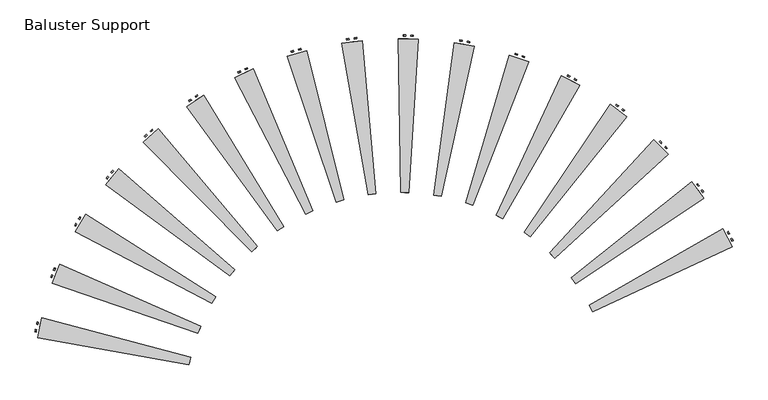
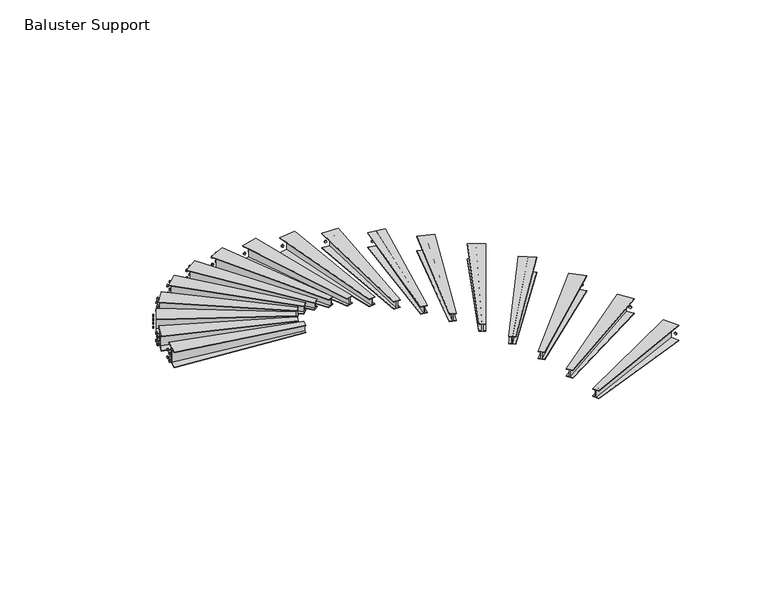
"""IFC4 building model written with IfcOpenShell, lengths in millimetres: railing geometry, Baluster Support."""

from ifc_helpers import new_model, si_unit, frame, origin, place, context, project, spatial, polyline, outline, extrude, faceted_brep, source, transform, mapped, element, save


def baluster_support_6f209b15(model_context):
    return source(origin(), model_context, "Body", "SolidModel", [
        faceted_brep([(3503.5731122, 1762.2551428, 2834.9222222), (3487.0601742, 1687.865877, 2834.9222222), (3487.0601742, 1687.865877, 2828.5722222), (3493.940565, 1718.8614044, 2828.5722222), (3493.940565, 1718.8614044, 2739.6722222), (3487.0601742, 1687.865877, 2739.6722222), (3487.0601742, 1687.865877, 2733.3222222), (3503.5731122, 1762.2551428, 2733.3222222), (3503.5731122, 1762.2551428, 2739.6722222), (3496.6927214, 1731.2596154, 2739.6722222), (3496.6927214, 1731.2596154, 2828.5722222), (3503.5731122, 1762.2551428, 2828.5722222), (2029.5485761, 2154.5049573, 2834.9222222), (2029.5485761, 2154.5049573, 2828.5722222), (2008.9074036, 2061.5183749, 2828.5722222), (2008.9074036, 2061.5183749, 2638.0722222), (2029.5485761, 2154.5049573, 2638.0722222), (2029.5485761, 2154.5049573, 2631.7222222), (1985.5140748, 1956.1335816, 2631.7222222), (1985.5140748, 1956.1335816, 2638.0722222), (2006.1552473, 2049.1201639, 2638.0722222), (2006.1552473, 2049.1201639, 2828.5722222), (1985.5140748, 1956.1335816, 2828.5722222), (1985.5140748, 1956.1335816, 2834.9222222)], [[[0, 1, 2, 3, 4, 5, 6, 7, 8, 9, 10, 11]], [[12, 13, 14, 15, 16, 17, 18, 19, 20, 21, 22, 23]], [[12, 23, 1, 0]], [[23, 22, 2, 1]], [[22, 21, 3, 2]], [[21, 20, 4, 3]], [[20, 19, 5, 4]], [[19, 18, 6, 5]], [[18, 17, 7, 6]], [[17, 16, 8, 7]], [[16, 15, 9, 8]], [[15, 14, 10, 9]], [[14, 13, 11, 10]], [[13, 12, 0, 11]]]),
        extrude(outline(polyline([(0.0, 0.0), (14.6646968, 0.0), (21.9970453, -12.7), (14.6646968, -25.4), (0.0, -25.4), (-7.3323484, -12.7), (0.0, 0.0)])), frame((1993.7435288, 2110.416426, 2776.7898738), z_axis=(-0.9762370851503633, 0.2167052227730617, 0.0), x_axis=(0.0, 0.0, 1.0)), (0.0, 0.0, 1.0), 12.7),
        extrude(outline(polyline([(0.0, -101.6), (-7.3323484, -88.9), (0.0, -76.2), (14.6646968, -76.2), (21.9970453, -88.9), (14.6646968, -101.6), (0.0, -101.6)])), frame((1993.7435288, 2110.416426, 2776.7898738), z_axis=(-0.9762370851503633, 0.2167052227730617, 0.0), x_axis=(0.0, 0.0, 1.0)), (0.0, 0.0, 1.0), 12.7),
        extrude(outline(polyline([(-101.6, 0.0), (-86.9353032, 0.0), (-79.6029547, -12.7), (-86.9353032, -25.4), (-101.6, -25.4), (-108.9323484, -12.7), (-101.6, 0.0)])), frame((1993.7435288, 2110.416426, 2776.7898738), z_axis=(-0.9762370851503633, 0.2167052227730617, 0.0), x_axis=(0.0, 0.0, 1.0)), (0.0, 0.0, 1.0), 12.7),
        extrude(outline(polyline([(-101.6, -101.6), (-108.9323484, -88.9), (-101.6, -76.2), (-86.9353032, -76.2), (-79.6029547, -88.9), (-86.9353032, -101.6), (-101.6, -101.6)])), frame((1993.7435288, 2110.416426, 2776.7898738), z_axis=(-0.9762370851503633, 0.2167052227730617, 0.0), x_axis=(0.0, 0.0, 1.0)), (0.0, 0.0, 1.0), 12.7),
        faceted_brep([(3603.7628621, 2072.1641374, 2672.6444444), (3576.1213979, 2001.1543532, 2672.6444444), (3576.1213979, 2001.1543532, 2666.2944444), (3587.6386746, 2030.7417633, 2666.2944444), (3587.6386746, 2030.7417633, 2577.3944444), (3576.1213979, 2001.1543532, 2577.3944444), (3576.1213979, 2001.1543532, 2571.0444444), (3603.7628621, 2072.1641374, 2571.0444444), (3603.7628621, 2072.1641374, 2577.3944444), (3592.2455853, 2042.5767273, 2577.3944444), (3592.2455853, 2042.5767273, 2666.2944444), (3603.7628621, 2072.1641374, 2666.2944444), (2206.6017313, 2684.1682424, 2672.6444444), (2206.6017313, 2684.1682424, 2666.2944444), (2172.049901, 2595.4060122, 2666.2944444), (2172.049901, 2595.4060122, 2475.7944444), (2206.6017313, 2684.1682424, 2475.7944444), (2206.6017313, 2684.1682424, 2469.4444444), (2132.89116, 2494.8088178, 2469.4444444), (2132.89116, 2494.8088178, 2475.7944444), (2167.4429903, 2583.5710481, 2475.7944444), (2167.4429903, 2583.5710481, 2666.2944444), (2132.89116, 2494.8088178, 2666.2944444), (2132.89116, 2494.8088178, 2672.6444444)], [[[0, 1, 2, 3, 4, 5, 6, 7, 8, 9, 10, 11]], [[12, 13, 14, 15, 16, 17, 18, 19, 20, 21, 22, 23]], [[12, 23, 1, 0]], [[23, 22, 2, 1]], [[22, 21, 3, 2]], [[21, 20, 4, 3]], [[20, 19, 5, 4]], [[19, 18, 6, 5]], [[18, 17, 7, 6]], [[17, 16, 8, 7]], [[16, 15, 9, 8]], [[15, 14, 10, 9]], [[14, 13, 11, 10]], [[13, 12, 0, 11]]]),
        extrude(outline(polyline([(0.0, 0.0), (14.6646969, 0.0), (21.9970453, -12.7), (14.6646969, -25.4), (0.0, -25.4), (-7.3323484, -12.7), (0.0, 0.0)])), frame((2164.5041604, 2646.0422077, 2614.512096), z_axis=(-0.9318869319904604, 0.36274887454740296, 0.0), x_axis=(0.0, 0.0, 1.0)), (0.0, 0.0, 1.0), 12.7),
        extrude(outline(polyline([(0.0, -101.6), (-7.3323484, -88.9000001), (0.0, -76.2), (14.6646969, -76.2), (21.9970453, -88.9000001), (14.6646969, -101.6), (0.0, -101.6)])), frame((2164.5041604, 2646.0422077, 2614.512096), z_axis=(-0.9318869319904604, 0.36274887454740296, 0.0), x_axis=(0.0, 0.0, 1.0)), (0.0, 0.0, 1.0), 12.7),
        extrude(outline(polyline([(-101.6, 0.0), (-86.9353031, 0.0), (-79.6029547, -12.7), (-86.9353031, -25.4), (-101.6, -25.4), (-108.9323484, -12.7), (-101.6, 0.0)])), frame((2164.5041604, 2646.0422077, 2614.512096), z_axis=(-0.9318869319904604, 0.36274887454740296, 0.0), x_axis=(0.0, 0.0, 1.0)), (0.0, 0.0, 1.0), 12.7),
        extrude(outline(polyline([(-101.6, -101.6), (-108.9323484, -88.9000001), (-101.6, -76.2), (-86.9353031, -76.2), (-79.6029547, -88.9000001), (-86.9353031, -101.6), (-101.6, -101.6)])), frame((2164.5041604, 2646.0422077, 2614.512096), z_axis=(-0.9318869319904604, 0.36274887454740296, 0.0), x_axis=(0.0, 0.0, 1.0)), (0.0, 0.0, 1.0), 12.7),
        faceted_brep([(3749.9488511, 2363.2160702, 2510.3666667), (3711.8227874, 2297.2399891, 2510.3666667), (3711.8227874, 2297.2399891, 2504.0166667), (3727.7086472, 2324.7300229, 2504.0166667), (3727.7086472, 2324.7300229, 2415.1166667), (3711.8227874, 2297.2399891, 2415.1166667), (3711.8227874, 2297.2399891, 2408.7666667), (3749.9488511, 2363.2160702, 2408.7666667), (3749.9488511, 2363.2160702, 2415.1166667), (3734.0629912, 2335.7260364, 2415.1166667), (3734.0629912, 2335.7260364, 2504.0166667), (3749.9488511, 2363.2160702, 2504.0166667), (2462.1989502, 3180.7174113, 2510.3666667), (2462.1989502, 3180.7174113, 2504.0166667), (2414.5413706, 3098.24731, 2504.0166667), (2414.5413706, 3098.24731, 2313.5166667), (2462.1989502, 3180.7174113, 2313.5166667), (2462.1989502, 3180.7174113, 2307.1666667), (2360.529447, 3004.7811952, 2307.1666667), (2360.529447, 3004.7811952, 2313.5166667), (2408.1870266, 3087.2512965, 2313.5166667), (2408.1870266, 3087.2512965, 2504.0166667), (2360.529447, 3004.7811952, 2504.0166667), (2360.529447, 3004.7811952, 2510.3666667)], [[[0, 1, 2, 3, 4, 5, 6, 7, 8, 9, 10, 11]], [[12, 13, 14, 15, 16, 17, 18, 19, 20, 21, 22, 23]], [[12, 23, 1, 0]], [[23, 22, 2, 1]], [[22, 21, 3, 2]], [[21, 20, 4, 3]], [[20, 19, 5, 4]], [[19, 18, 6, 5]], [[18, 17, 7, 6]], [[17, 16, 8, 7]], [[16, 15, 9, 8]], [[15, 14, 10, 9]], [[14, 13, 11, 10]], [[13, 12, 0, 11]]]),
        extrude(outline(polyline([(0.0, 0.0), (14.6646969, 0.0), (21.9970453, -12.7), (14.6646969, -25.4), (0.0, -25.4), (-7.3323484, -12.7), (0.0, 0.0)])), frame((2414.7895474, 3149.4420452, 2452.2343182), z_axis=(-0.8658278350513252, 0.5003420430568823, 0.0), x_axis=(0.0, 0.0, 1.0)), (0.0, 0.0, 1.0), 12.7),
        extrude(outline(polyline([(0.0, -101.6), (-7.3323484, -88.9), (0.0, -76.2), (14.6646969, -76.2), (21.9970453, -88.9), (14.6646969, -101.6), (0.0, -101.6)])), frame((2414.7895474, 3149.4420452, 2452.2343182), z_axis=(-0.8658278350513252, 0.5003420430568823, 0.0), x_axis=(0.0, 0.0, 1.0)), (0.0, 0.0, 1.0), 12.7),
        extrude(outline(polyline([(-101.6, 0.0), (-86.9353031, 0.0), (-79.6029547, -12.7), (-86.9353031, -25.4), (-101.6, -25.4), (-108.9323484, -12.7), (-101.6, 0.0)])), frame((2414.7895474, 3149.4420452, 2452.2343182), z_axis=(-0.8658278350513252, 0.5003420430568823, 0.0), x_axis=(0.0, 0.0, 1.0)), (0.0, 0.0, 1.0), 12.7),
        extrude(outline(polyline([(-101.6, -101.6), (-108.9323484, -88.9), (-101.6, -76.2), (-86.9353031, -76.2), (-79.6029547, -88.9), (-86.9353031, -101.6), (-101.6, -101.6)])), frame((2414.7895474, 3149.4420452, 2452.2343182), z_axis=(-0.8658278350513252, 0.5003420430568823, 0.0), x_axis=(0.0, 0.0, 1.0)), (0.0, 0.0, 1.0), 12.7),
        faceted_brep([(3938.7255764, 2628.6306871, 2348.0888889), (3891.003086, 2569.2252672, 2348.0888889), (3891.003086, 2569.2252672, 2341.7388889), (3910.887457, 2593.9775255, 2341.7388889), (3910.887457, 2593.9775255, 2252.8388889), (3891.003086, 2569.2252672, 2252.8388889), (3891.003086, 2569.2252672, 2246.4888889), (3938.7255764, 2628.6306871, 2246.4888889), (3938.7255764, 2628.6306871, 2252.8388889), (3918.8412054, 2603.8784288, 2252.8388889), (3918.8412054, 2603.8784288, 2341.7388889), (3938.7255764, 2628.6306871, 2341.7388889), (2790.3859206, 3632.5850113, 2348.0888889), (2790.3859206, 3632.5850113, 2341.7388889), (2730.7328076, 3558.3282364, 2341.7388889), (2730.7328076, 3558.3282364, 2151.2388889), (2790.3859206, 3632.5850113, 2151.2388889), (2790.3859206, 3632.5850113, 2144.8888889), (2663.1259463, 3474.1705582, 2144.8888889), (2663.1259463, 3474.1705582, 2151.2388889), (2722.7790592, 3548.4273331, 2151.2388889), (2722.7790592, 3548.4273331, 2341.7388889), (2663.1259463, 3474.1705582, 2341.7388889), (2663.1259463, 3474.1705582, 2348.0888889)], [[[0, 1, 2, 3, 4, 5, 6, 7, 8, 9, 10, 11]], [[12, 13, 14, 15, 16, 17, 18, 19, 20, 21, 22, 23]], [[12, 23, 1, 0]], [[23, 22, 2, 1]], [[22, 21, 3, 2]], [[21, 20, 4, 3]], [[20, 19, 5, 4]], [[19, 18, 6, 5]], [[18, 17, 7, 6]], [[17, 16, 8, 7]], [[16, 15, 9, 8]], [[15, 14, 10, 9]], [[14, 13, 11, 10]], [[13, 12, 0, 11]]]),
        extrude(outline(polyline([(0.0, 0.0), (14.6646968, 0.0), (21.9970452, -12.7), (14.6646968, -25.4), (0.0, -25.4), (-7.3323484, -12.7), (0.0, 0.0)])), frame((2738.7691204, 3608.8888948, 2289.9565405), z_axis=(-0.7795986862009837, 0.626279401284842, 0.0), x_axis=(0.0, 0.0, 1.0)), (0.0, 0.0, 1.0), 12.7),
        extrude(outline(polyline([(0.0, -101.6), (-7.3323484, -88.9), (0.0, -76.2), (14.6646968, -76.2), (21.9970452, -88.9), (14.6646968, -101.6), (0.0, -101.6)])), frame((2738.7691204, 3608.8888948, 2289.9565405), z_axis=(-0.7795986862009837, 0.626279401284842, 0.0), x_axis=(0.0, 0.0, 1.0)), (0.0, 0.0, 1.0), 12.7),
        extrude(outline(polyline([(-101.6, 0.0), (-86.9353032, 0.0), (-79.6029548, -12.7), (-86.9353032, -25.4), (-101.6, -25.4), (-108.9323484, -12.7), (-101.6, 0.0)])), frame((2738.7691204, 3608.8888948, 2289.9565405), z_axis=(-0.7795986862009837, 0.626279401284842, 0.0), x_axis=(0.0, 0.0, 1.0)), (0.0, 0.0, 1.0), 12.7),
        extrude(outline(polyline([(-101.6, -101.6), (-108.9323484, -88.9), (-101.6, -76.2), (-86.9353032, -76.2), (-79.6029548, -88.9), (-86.9353032, -101.6), (-101.6, -101.6)])), frame((2738.7691204, 3608.8888948, 2289.9565405), z_axis=(-0.7795986862009837, 0.626279401284842, 0.0), x_axis=(0.0, 0.0, 1.0)), (0.0, 0.0, 1.0), 12.7),
        faceted_brep([(4165.6953551, 2862.2249731, 2185.8111111), (4109.4881661, 2810.7741043, 2185.8111111), (4109.4881661, 2810.7741043, 2179.4611111), (4132.9078282, 2832.2119663, 2179.4611111), (4132.9078282, 2832.2119663, 2090.5611111), (4109.4881661, 2810.7741043, 2090.5611111), (4109.4881661, 2810.7741043, 2084.2111111), (4165.6953551, 2862.2249731, 2084.2111111), (4165.6953551, 2862.2249731, 2090.5611111), (4142.275693, 2840.7871111, 2090.5611111), (4142.275693, 2840.7871111, 2179.4611111), (4165.6953551, 2862.2249731, 2179.4611111), (3183.5173025, 4029.2444773, 2185.8111111), (3183.5173025, 4029.2444773, 2179.4611111), (3113.2583163, 3964.9308912, 2179.4611111), (3113.2583163, 3964.9308912, 1988.9611111), (3183.5173025, 4029.2444773, 1988.9611111), (3183.5173025, 4029.2444773, 1982.6111111), (3033.6314652, 3892.0421604, 1982.6111111), (3033.6314652, 3892.0421604, 1988.9611111), (3103.8904514, 3956.3557464, 1988.9611111), (3103.8904514, 3956.3557464, 2179.4611111), (3033.6314652, 3892.0421604, 2179.4611111), (3033.6314652, 3892.0421604, 2185.8111111)], [[[0, 1, 2, 3, 4, 5, 6, 7, 8, 9, 10, 11]], [[12, 13, 14, 15, 16, 17, 18, 19, 20, 21, 22, 23]], [[12, 23, 1, 0]], [[23, 22, 2, 1]], [[22, 21, 3, 2]], [[21, 20, 4, 3]], [[20, 19, 5, 4]], [[19, 18, 6, 5]], [[18, 17, 7, 6]], [[17, 16, 8, 7]], [[16, 15, 9, 8]], [[15, 14, 10, 9]], [[14, 13, 11, 10]], [[13, 12, 0, 11]]]),
        extrude(outline(polyline([(0.0, 0.0), (14.6646968, 0.0), (21.9970452, -12.7), (14.6646968, -25.4), (0.0, -25.4), (-7.3323484, -12.7), (0.0, 0.0)])), frame((3128.8955536, 4013.6796277, 2127.6787627), z_axis=(-0.6752082524692766, 0.7376271522913087, 0.0), x_axis=(0.0, 0.0, 1.0)), (0.0, 0.0, 1.0), 12.7),
        extrude(outline(polyline([(0.0, -101.6), (-7.3323484, -88.9), (0.0, -76.2), (14.6646968, -76.2), (21.9970452, -88.9), (14.6646968, -101.6), (0.0, -101.6)])), frame((3128.8955536, 4013.6796277, 2127.6787627), z_axis=(-0.6752082524692766, 0.7376271522913087, 0.0), x_axis=(0.0, 0.0, 1.0)), (0.0, 0.0, 1.0), 12.7),
        extrude(outline(polyline([(-101.6, 0.0), (-86.9353032, 0.0), (-79.6029548, -12.7), (-86.9353032, -25.4), (-101.6, -25.4), (-108.9323484, -12.7), (-101.6, 0.0)])), frame((3128.8955536, 4013.6796277, 2127.6787627), z_axis=(-0.6752082524692766, 0.7376271522913087, 0.0), x_axis=(0.0, 0.0, 1.0)), (0.0, 0.0, 1.0), 12.7),
        extrude(outline(polyline([(-101.6, -101.6), (-108.9323484, -88.9), (-101.6, -76.2), (-86.9353032, -76.2), (-79.6029548, -88.9), (-86.9353032, -101.6), (-101.6, -101.6)])), frame((3128.8955536, 4013.6796277, 2127.6787627), z_axis=(-0.6752082524692766, 0.7376271522913087, 0.0), x_axis=(0.0, 0.0, 1.0)), (0.0, 0.0, 1.0), 12.7),
        faceted_brep([(4425.5707709, 3058.5571895, 2023.5333333), (4362.1882682, 3016.2594549, 2023.5333333), (4362.1882682, 3016.2594549, 2017.1833333), (4388.5976443, 3033.883511, 2017.1833333), (4388.5976443, 3033.883511, 1928.2833333), (4362.1882682, 3016.2594549, 1928.2833333), (4362.1882682, 3016.2594549, 1921.9333333), (4425.5707709, 3058.5571895, 1921.9333333), (4425.5707709, 3058.5571895, 1928.2833333), (4399.1613948, 3040.9331334, 1928.2833333), (4399.1613948, 3040.9331334, 2017.1833333), (4425.5707709, 3058.5571895, 2017.1833333), (3632.4348314, 4361.4553557, 2023.5333333), (3632.4348314, 4361.4553557, 2017.1833333), (3553.206703, 4308.5831874, 2017.1833333), (3553.206703, 4308.5831874, 1826.6833333), (3632.4348314, 4361.4553557, 1826.6833333), (3632.4348314, 4361.4553557, 1820.3333333), (3463.4148242, 4248.6613968, 1820.3333333), (3463.4148242, 4248.6613968, 1826.6833333), (3542.6429525, 4301.533565, 1826.6833333), (3542.6429525, 4301.533565, 2017.1833333), (3463.4148242, 4248.6613968, 2017.1833333), (3463.4148242, 4248.6613968, 2023.5333333)], [[[0, 1, 2, 3, 4, 5, 6, 7, 8, 9, 10, 11]], [[12, 13, 14, 15, 16, 17, 18, 19, 20, 21, 22, 23]], [[12, 23, 1, 0]], [[23, 22, 2, 1]], [[22, 21, 3, 2]], [[21, 20, 4, 3]], [[20, 19, 5, 4]], [[19, 18, 6, 5]], [[18, 17, 7, 6]], [[17, 16, 8, 7]], [[16, 15, 9, 8]], [[15, 14, 10, 9]], [[14, 13, 11, 10]], [[13, 12, 0, 11]]]),
        extrude(outline(polyline([(0.0, 0.0), (14.6646969, 0.0), (21.9970453, -12.6999999), (14.6646969, -25.4), (0.0, -25.4), (-7.3323484, -12.6999999), (0.0, 0.0)])), frame((3576.0805847, 4354.3843668, 1965.4009849), z_axis=(-0.5550883804452871, 0.8317913740203301, 0.0), x_axis=(0.0, 0.0, 1.0)), (0.0, 0.0, 1.0), 12.7),
        extrude(outline(polyline([(0.0, -101.6), (-7.3323484, -88.8999999), (0.0, -76.2), (14.6646969, -76.2), (21.9970453, -88.8999999), (14.6646969, -101.6), (0.0, -101.6)])), frame((3576.0805847, 4354.3843668, 1965.4009849), z_axis=(-0.5550883804452871, 0.8317913740203301, 0.0), x_axis=(0.0, 0.0, 1.0)), (0.0, 0.0, 1.0), 12.7),
        extrude(outline(polyline([(-101.6, 0.0), (-86.9353031, 0.0), (-79.6029547, -12.6999999), (-86.9353031, -25.4), (-101.6, -25.4), (-108.9323484, -12.6999999), (-101.6, 0.0)])), frame((3576.0805847, 4354.3843668, 1965.4009849), z_axis=(-0.5550883804452871, 0.8317913740203301, 0.0), x_axis=(0.0, 0.0, 1.0)), (0.0, 0.0, 1.0), 12.7),
        extrude(outline(polyline([(-101.6, -101.6), (-108.9323484, -88.8999999), (-101.6, -76.2), (-86.9353031, -76.2), (-79.6029547, -88.8999999), (-86.9353031, -101.6), (-101.6, -101.6)])), frame((3576.0805847, 4354.3843668, 1965.4009849), z_axis=(-0.5550883804452871, 0.8317913740203301, 0.0), x_axis=(0.0, 0.0, 1.0)), (0.0, 0.0, 1.0), 12.7),
        faceted_brep([(4712.2978481, 3213.0536429, 1861.2555556), (4643.2165705, 3180.8943972, 1861.2555556), (4643.2165705, 3180.8943972, 1854.9055556), (4672.0004362, 3194.2940829, 1854.9055556), (4672.0004362, 3194.2940829, 1766.0055556), (4643.2165705, 3180.8943972, 1766.0055556), (4643.2165705, 3180.8943972, 1759.6555556), (4712.2978481, 3213.0536429, 1759.6555556), (4712.2978481, 3213.0536429, 1766.0055556), (4683.5139825, 3199.6539572, 1766.0055556), (4683.5139825, 3199.6539572, 1854.9055556), (4712.2978481, 3213.0536429, 1854.9055556), (4126.6806661, 4621.4785667, 1861.2555556), (4126.6806661, 4621.4785667, 1854.9055556), (4040.3290691, 4581.2795096, 1854.9055556), (4040.3290691, 4581.2795096, 1664.4055556), (4126.6806661, 4621.4785667, 1664.4055556), (4126.6806661, 4621.4785667, 1658.0555556), (3942.4639258, 4535.7205782, 1658.0555556), (3942.4639258, 4535.7205782, 1664.4055556), (4028.8155228, 4575.9196353, 1664.4055556), (4028.8155228, 4575.9196353, 1854.9055556), (3942.4639258, 4535.7205782, 1854.9055556), (3942.4639258, 4535.7205782, 1861.2555556)], [[[0, 1, 2, 3, 4, 5, 6, 7, 8, 9, 10, 11]], [[12, 13, 14, 15, 16, 17, 18, 19, 20, 21, 22, 23]], [[12, 23, 1, 0]], [[23, 22, 2, 1]], [[22, 21, 3, 2]], [[21, 20, 4, 3]], [[20, 19, 5, 4]], [[19, 18, 6, 5]], [[18, 17, 7, 6]], [[17, 16, 8, 7]], [[16, 15, 9, 8]], [[15, 14, 10, 9]], [[14, 13, 11, 10]], [[13, 12, 0, 11]]]),
        extrude(outline(polyline([(0.0, 0.0), (14.6646969, 0.0), (21.9970453, -12.7), (14.6646969, -25.4), (0.0, -25.4), (-7.3323484, -12.7), (0.0, 0.0)])), frame((4069.9067325, 4623.0661621, 1803.1232071), z_axis=(-0.42203734474690985, 0.906578446489314, 0.0), x_axis=(0.0, 0.0, 1.0)), (0.0, 0.0, 1.0), 12.7),
        extrude(outline(polyline([(0.0, -101.6), (-7.3323484, -88.9), (0.0, -76.2), (14.6646969, -76.2), (21.9970453, -88.9), (14.6646969, -101.6), (0.0, -101.6)])), frame((4069.9067325, 4623.0661621, 1803.1232071), z_axis=(-0.42203734474690985, 0.906578446489314, 0.0), x_axis=(0.0, 0.0, 1.0)), (0.0, 0.0, 1.0), 12.7),
        extrude(outline(polyline([(-101.6, 0.0), (-86.9353031, 0.0), (-79.6029547, -12.7), (-86.9353031, -25.4), (-101.6, -25.4), (-108.9323484, -12.7), (-101.6, 0.0)])), frame((4069.9067325, 4623.0661621, 1803.1232071), z_axis=(-0.42203734474690985, 0.906578446489314, 0.0), x_axis=(0.0, 0.0, 1.0)), (0.0, 0.0, 1.0), 12.7),
        extrude(outline(polyline([(-101.6, -101.6), (-108.9323484, -88.9), (-101.6, -76.2), (-86.9353031, -76.2), (-79.6029547, -88.9), (-86.9353031, -101.6), (-101.6, -101.6)])), frame((4069.9067325, 4623.0661621, 1803.1232071), z_axis=(-0.42203734474690985, 0.906578446489314, 0.0), x_axis=(0.0, 0.0, 1.0)), (0.0, 0.0, 1.0), 12.7),
        faceted_brep([(5019.1970833, 3322.1152326, 1698.9777778), (4946.0263264, 3300.8436475, 1698.9777778), (4946.0263264, 3300.8436475, 1692.6277778), (4976.5141418, 3309.706808, 1692.6277778), (4976.5141418, 3309.706808, 1603.7277778), (4946.0263264, 3300.8436475, 1603.7277778), (4946.0263264, 3300.8436475, 1597.3777778), (5019.1970833, 3322.1152326, 1597.3777778), (5019.1970833, 3322.1152326, 1603.7277778), (4988.7092679, 3313.2520722, 1603.7277778), (4988.7092679, 3313.2520722, 1692.6277778), (5019.1970833, 3322.1152326, 1692.6277778), (4654.7410118, 4803.2566917, 1698.9777778), (4654.7410118, 4803.2566917, 1692.6277778), (4563.2775656, 4776.6672103, 1692.6277778), (4563.2775656, 4776.6672103, 1502.1277778), (4654.7410118, 4803.2566917, 1502.1277778), (4654.7410118, 4803.2566917, 1495.7777778), (4459.6189934, 4746.5324648, 1495.7777778), (4459.6189934, 4746.5324648, 1502.1277778), (4551.0824395, 4773.1219462, 1502.1277778), (4551.0824395, 4773.1219462, 1692.6277778), (4459.6189934, 4746.5324648, 1692.6277778), (4459.6189934, 4746.5324648, 1698.9777778)], [[[0, 1, 2, 3, 4, 5, 6, 7, 8, 9, 10, 11]], [[12, 13, 14, 15, 16, 17, 18, 19, 20, 21, 22, 23]], [[12, 23, 1, 0]], [[23, 22, 2, 1]], [[22, 21, 3, 2]], [[21, 20, 4, 3]], [[20, 19, 5, 4]], [[19, 18, 6, 5]], [[18, 17, 7, 6]], [[17, 16, 8, 7]], [[16, 15, 9, 8]], [[15, 14, 10, 9]], [[14, 13, 11, 10]], [[13, 12, 0, 11]]]),
        extrude(outline(polyline([(0.0, 0.0), (14.6646968, 0.0), (21.9970452, -12.7), (14.6646968, -25.4), (0.0, -25.4), (-7.3323485, -12.7), (0.0, 0.0)])), frame((4598.8699788, 4813.4658873, 1640.8454294), z_axis=(-0.2791546602987457, 0.9602461536676374, 0.0), x_axis=(0.0, 0.0, 1.0)), (0.0, 0.0, 1.0), 12.7),
        extrude(outline(polyline([(0.0, -101.6), (-7.3323485, -88.9), (0.0, -76.2), (14.6646968, -76.2), (21.9970452, -88.9), (14.6646968, -101.6), (0.0, -101.6)])), frame((4598.8699788, 4813.4658873, 1640.8454294), z_axis=(-0.2791546602987457, 0.9602461536676374, 0.0), x_axis=(0.0, 0.0, 1.0)), (0.0, 0.0, 1.0), 12.7),
        extrude(outline(polyline([(-101.6, 0.0), (-86.9353032, 0.0), (-79.6029548, -12.7), (-86.9353032, -25.4), (-101.6, -25.4), (-108.9323485, -12.7), (-101.6, 0.0)])), frame((4598.8699788, 4813.4658873, 1640.8454294), z_axis=(-0.2791546602987457, 0.9602461536676374, 0.0), x_axis=(0.0, 0.0, 1.0)), (0.0, 0.0, 1.0), 12.7),
        extrude(outline(polyline([(-101.6, -101.6), (-108.9323485, -88.9), (-101.6, -76.2), (-86.9353032, -76.2), (-79.6029548, -88.9), (-86.9353032, -101.6), (-101.6, -101.6)])), frame((4598.8699788, 4813.4658873, 1640.8454294), z_axis=(-0.2791546602987457, 0.9602461536676374, 0.0), x_axis=(0.0, 0.0, 1.0)), (0.0, 0.0, 1.0), 12.7),
        faceted_brep([(5339.1190488, 3383.2012944, 1536.7), (5263.5633754, 3373.312906, 1536.7), (5263.5633754, 3373.312906, 1530.35), (5295.044906, 3377.4330678, 1530.35), (5295.044906, 3377.4330678, 1441.45), (5263.5633754, 3373.312906, 1441.45), (5263.5633754, 3373.312906, 1435.1), (5339.1190488, 3383.2012944, 1435.1), (5339.1190488, 3383.2012944, 1441.45), (5307.6375182, 3379.0811326, 1441.45), (5307.6375182, 3379.0811326, 1530.35), (5339.1190488, 3383.2012944, 1530.35), (5204.3143413, 4902.555085, 1536.7), (5204.3143413, 4902.555085, 1530.35), (5109.8697496, 4890.1945994, 1530.35), (5109.8697496, 4890.1945994, 1339.85), (5204.3143413, 4902.555085, 1339.85), (5204.3143413, 4902.555085, 1333.5), (5002.8325457, 4876.1860491, 1333.5), (5002.8325457, 4876.1860491, 1339.85), (5097.2771374, 4888.5465347, 1339.85), (5097.2771374, 4888.5465347, 1530.35), (5002.8325457, 4876.1860491, 1530.35), (5002.8325457, 4876.1860491, 1536.7)], [[[0, 1, 2, 3, 4, 5, 6, 7, 8, 9, 10, 11]], [[12, 13, 14, 15, 16, 17, 18, 19, 20, 21, 22, 23]], [[12, 23, 1, 0]], [[23, 22, 2, 1]], [[22, 21, 3, 2]], [[21, 20, 4, 3]], [[20, 19, 5, 4]], [[19, 18, 6, 5]], [[18, 17, 7, 6]], [[17, 16, 8, 7]], [[16, 15, 9, 8]], [[15, 14, 10, 9]], [[14, 13, 11, 10]], [[13, 12, 0, 11]]]),
        extrude(outline(polyline([(0.0, 0.0), (14.6646968, 0.0), (21.9970452, -12.7), (14.6646968, -25.4), (0.0, -25.4), (-7.3323484, -12.7), (0.0, 0.0)])), frame((5150.6477629, 4921.1480505, 1478.5676516), z_axis=(-0.12976887701090584, 0.9915442695912918, 0.0), x_axis=(0.0, 0.0, 1.0)), (0.0, 0.0, 1.0), 12.7),
        extrude(outline(polyline([(0.0, -101.5999999), (-7.3323484, -88.8999999), (0.0, -76.2), (14.6646968, -76.2), (21.9970452, -88.8999999), (14.6646968, -101.5999999), (0.0, -101.5999999)])), frame((5150.6477629, 4921.1480505, 1478.5676516), z_axis=(-0.12976887701090584, 0.9915442695912918, 0.0), x_axis=(0.0, 0.0, 1.0)), (0.0, 0.0, 1.0), 12.7),
        extrude(outline(polyline([(-101.6, 0.0), (-86.9353032, 0.0), (-79.6029548, -12.7), (-86.9353032, -25.4), (-101.6, -25.4), (-108.9323484, -12.7), (-101.6, 0.0)])), frame((5150.6477629, 4921.1480505, 1478.5676516), z_axis=(-0.12976887701090584, 0.9915442695912918, 0.0), x_axis=(0.0, 0.0, 1.0)), (0.0, 0.0, 1.0), 12.7),
        extrude(outline(polyline([(-101.6, -101.5999999), (-108.9323484, -88.8999999), (-101.6, -76.2), (-86.9353032, -76.2), (-79.6029548, -88.8999999), (-86.9353032, -101.5999999), (-101.6, -101.5999999)])), frame((5150.6477629, 4921.1480505, 1478.5676516), z_axis=(-0.12976887701090584, 0.9915442695912918, 0.0), x_axis=(0.0, 0.0, 1.0)), (0.0, 0.0, 1.0), 12.7),
        faceted_brep([(5664.6109433, 3394.8887866, 1374.4222222), (5588.4304747, 3396.6139517, 1374.4222222), (5588.4304747, 3396.6139517, 1368.0722222), (5620.1723366, 3395.8951329, 1368.0722222), (5620.1723366, 3395.8951329, 1279.1722222), (5588.4304747, 3396.6139517, 1279.1722222), (5588.4304747, 3396.6139517, 1272.8222222), (5664.6109433, 3394.8887866, 1272.8222222), (5664.6109433, 3394.8887866, 1279.1722222), (5632.8690814, 3395.6076054, 1279.1722222), (5632.8690814, 3395.6076054, 1368.0722222), (5664.6109433, 3394.8887866, 1368.0722222), (5762.5979679, 4917.0605223, 1374.4222222), (5762.5979679, 4917.0605223, 1368.0722222), (5667.3723821, 4919.2169786, 1368.0722222), (5667.3723821, 4919.2169786, 1177.5722222), (5762.5979679, 4917.0605223, 1177.5722222), (5762.5979679, 4917.0605223, 1171.2222222), (5559.4500515, 4921.6609624, 1171.2222222), (5559.4500515, 4921.6609624, 1177.5722222), (5654.6756373, 4919.5045061, 1177.5722222), (5654.6756373, 4919.5045061, 1368.0722222), (5559.4500515, 4921.6609624, 1368.0722222), (5559.4500515, 4921.6609624, 1374.4222222)], [[[0, 1, 2, 3, 4, 5, 6, 7, 8, 9, 10, 11]], [[12, 13, 14, 15, 16, 17, 18, 19, 20, 21, 22, 23]], [[12, 23, 1, 0]], [[23, 22, 2, 1]], [[22, 21, 3, 2]], [[21, 20, 4, 3]], [[20, 19, 5, 4]], [[19, 18, 6, 5]], [[18, 17, 7, 6]], [[17, 16, 8, 7]], [[16, 15, 9, 8]], [[15, 14, 10, 9]], [[14, 13, 11, 10]], [[13, 12, 0, 11]]]),
        extrude(outline(polyline([(0.0, 0.0), (14.6646968, 0.0), (21.9970453, -12.7), (14.6646968, -25.3999999), (0.0, -25.3999999), (-7.3323484, -12.7), (0.0, 0.0)])), frame((5712.3860438, 4943.6041219, 1316.2898738), z_axis=(0.022639961068899338, 0.9997436832322566, 0.0), x_axis=(0.0, 0.0, 1.0)), (0.0, 0.0, 1.0), 12.7),
        extrude(outline(polyline([(0.0, -101.6), (-7.3323484, -88.9), (0.0, -76.2), (14.6646968, -76.2), (21.9970453, -88.9), (14.6646968, -101.6), (0.0, -101.6)])), frame((5712.3860438, 4943.6041219, 1316.2898738), z_axis=(0.022639961068899338, 0.9997436832322566, 0.0), x_axis=(0.0, 0.0, 1.0)), (0.0, 0.0, 1.0), 12.7),
        extrude(outline(polyline([(-101.6, 0.0), (-86.9353032, 0.0), (-79.6029547, -12.7), (-86.9353032, -25.3999999), (-101.6, -25.3999999), (-108.9323484, -12.7), (-101.6, 0.0)])), frame((5712.3860438, 4943.6041219, 1316.2898738), z_axis=(0.022639961068899338, 0.9997436832322566, 0.0), x_axis=(0.0, 0.0, 1.0)), (0.0, 0.0, 1.0), 12.7),
        extrude(outline(polyline([(-101.6, -101.6), (-108.9323484, -88.9), (-101.6, -76.2), (-86.9353032, -76.2), (-79.6029547, -88.9), (-86.9353032, -101.6), (-101.6, -101.6)])), frame((5712.3860438, 4943.6041219, 1316.2898738), z_axis=(0.022639961068899338, 0.9997436832322566, 0.0), x_axis=(0.0, 0.0, 1.0)), (0.0, 0.0, 1.0), 12.7),
        faceted_brep([(5988.0902107, 3356.9054411, 1212.1444444), (5913.0596228, 3370.2039707, 1212.1444444), (5913.0596228, 3370.2039707, 1205.7944444), (5944.3223678, 3364.6629167, 1205.7944444), (5944.3223678, 3364.6629167, 1116.8944444), (5913.0596228, 3370.2039707, 1116.8944444), (5913.0596228, 3370.2039707, 1110.5444444), (5988.0902107, 3356.9054411, 1110.5444444), (5988.0902107, 3356.9054411, 1116.8944444), (5956.8274657, 3362.4464951, 1116.8944444), (5956.8274657, 3362.4464951, 1205.7944444), (5988.0902107, 3356.9054411, 1205.7944444), (6316.5862924, 4846.4350898, 1212.1444444), (6316.5862924, 4846.4350898, 1205.7944444), (6222.7980576, 4863.0582518, 1205.7944444), (6222.7980576, 4863.0582518, 1015.2944444), (6316.5862924, 4846.4350898, 1015.2944444), (6316.5862924, 4846.4350898, 1008.9444444), (6116.5047249, 4881.8978354, 1008.9444444), (6116.5047249, 4881.8978354, 1015.2944444), (6210.2929597, 4865.2746734, 1015.2944444), (6210.2929597, 4865.2746734, 1205.7944444), (6116.5047249, 4881.8978354, 1205.7944444), (6116.5047249, 4881.8978354, 1212.1444444)], [[[0, 1, 2, 3, 4, 5, 6, 7, 8, 9, 10, 11]], [[12, 13, 14, 15, 16, 17, 18, 19, 20, 21, 22, 23]], [[12, 23, 1, 0]], [[23, 22, 2, 1]], [[22, 21, 3, 2]], [[21, 20, 4, 3]], [[20, 19, 5, 4]], [[19, 18, 6, 5]], [[18, 17, 7, 6]], [[17, 16, 8, 7]], [[16, 15, 9, 8]], [[15, 14, 10, 9]], [[14, 13, 11, 10]], [[13, 12, 0, 11]]]),
        extrude(outline(polyline([(0.0, 0.0), (14.6646969, 0.0), (21.9970453, -12.6999999), (14.6646969, -25.4), (0.0, -25.4), (-7.3323484, -12.6999999), (0.0, 0.0)])), frame((6270.9987437, 4880.3109721, 1154.012096), z_axis=(0.17452138576287804, 0.9846533836388339, 0.0), x_axis=(0.0, 0.0, 1.0)), (0.0, 0.0, 1.0), 12.7),
        extrude(outline(polyline([(0.0, -101.5999999), (-7.3323484, -88.9), (0.0, -76.2), (14.6646969, -76.2), (21.9970453, -88.9), (14.6646969, -101.5999999), (0.0, -101.5999999)])), frame((6270.9987437, 4880.3109721, 1154.012096), z_axis=(0.17452138576287804, 0.9846533836388339, 0.0), x_axis=(0.0, 0.0, 1.0)), (0.0, 0.0, 1.0), 12.7),
        extrude(outline(polyline([(-101.6, 0.0), (-86.9353031, 0.0), (-79.6029547, -12.6999999), (-86.9353031, -25.4), (-101.6, -25.4), (-108.9323484, -12.6999999), (-101.6, 0.0)])), frame((6270.9987437, 4880.3109721, 1154.012096), z_axis=(0.17452138576287804, 0.9846533836388339, 0.0), x_axis=(0.0, 0.0, 1.0)), (0.0, 0.0, 1.0), 12.7),
        extrude(outline(polyline([(-101.6, -101.5999999), (-108.9323484, -88.9), (-101.6, -76.2), (-86.9353031, -76.2), (-79.6029547, -88.9), (-86.9353031, -101.5999999), (-101.6, -101.5999999)])), frame((6270.9987437, 4880.3109721, 1154.012096), z_axis=(0.17452138576287804, 0.9846533836388339, 0.0), x_axis=(0.0, 0.0, 1.0)), (0.0, 0.0, 1.0), 12.7),
        faceted_brep([(6302.0211798, 3270.136106, 1049.8666667), (6229.8883617, 3294.6982018, 1049.8666667), (6229.8883617, 3294.6982018, 1043.5166667), (6259.9437026, 3284.4639952, 1043.5166667), (6259.9437026, 3284.4639952, 954.6166667), (6229.8883617, 3294.6982018, 954.6166667), (6229.8883617, 3294.6982018, 948.2666667), (6302.0211798, 3270.136106, 948.2666667), (6302.0211798, 3270.136106, 954.6166667), (6271.9658389, 3280.3703125, 954.6166667), (6271.9658389, 3280.3703125, 1043.5166667), (6302.0211798, 3270.136106, 1043.5166667), (6853.3737778, 4692.3240551, 1049.8666667), (6853.3737778, 4692.3240551, 1043.5166667), (6763.2077551, 4723.0266749, 1043.5166667), (6763.2077551, 4723.0266749, 853.0166667), (6853.3737778, 4692.3240551, 853.0166667), (6853.3737778, 4692.3240551, 846.6666667), (6661.0195961, 4757.8229773, 846.6666667), (6661.0195961, 4757.8229773, 853.0166667), (6751.1856188, 4727.1203575, 853.0166667), (6751.1856188, 4727.1203575, 1043.5166667), (6661.0195961, 4757.8229773, 1043.5166667), (6661.0195961, 4757.8229773, 1049.8666667)], [[[0, 1, 2, 3, 4, 5, 6, 7, 8, 9, 10, 11]], [[12, 13, 14, 15, 16, 17, 18, 19, 20, 21, 22, 23]], [[12, 23, 1, 0]], [[23, 22, 2, 1]], [[22, 21, 3, 2]], [[21, 20, 4, 3]], [[20, 19, 5, 4]], [[19, 18, 6, 5]], [[18, 17, 7, 6]], [[17, 16, 8, 7]], [[16, 15, 9, 8]], [[15, 14, 10, 9]], [[14, 13, 11, 10]], [[13, 12, 0, 11]]]),
        extrude(outline(polyline([(0.0, 0.0), (14.6646969, 0.0), (21.9970453, -12.6999999), (14.6646969, -25.4), (0.0, -25.4), (-7.3323484, -12.6999999), (0.0, 0.0)])), frame((6813.4725976, 4732.7430584, 991.7343182), z_axis=(0.32233721534897436, 0.9466249096664787, 0.0), x_axis=(0.0, 0.0, 1.0)), (0.0, 0.0, 1.0), 12.7),
        extrude(outline(polyline([(0.0, -101.6), (-7.3323484, -88.8999999), (0.0, -76.2), (14.6646969, -76.2), (21.9970453, -88.8999999), (14.6646969, -101.6), (0.0, -101.6)])), frame((6813.4725976, 4732.7430584, 991.7343182), z_axis=(0.32233721534897436, 0.9466249096664787, 0.0), x_axis=(0.0, 0.0, 1.0)), (0.0, 0.0, 1.0), 12.7),
        extrude(outline(polyline([(-101.6, 0.0), (-86.9353031, 0.0), (-79.6029547, -12.6999999), (-86.9353031, -25.4), (-101.6, -25.4), (-108.9323484, -12.6999999), (-101.6, 0.0)])), frame((6813.4725976, 4732.7430584, 991.7343182), z_axis=(0.32233721534897436, 0.9466249096664787, 0.0), x_axis=(0.0, 0.0, 1.0)), (0.0, 0.0, 1.0), 12.7),
        extrude(outline(polyline([(-101.6, -101.6), (-108.9323484, -88.8999999), (-101.6, -76.2), (-86.9353031, -76.2), (-79.6029547, -88.8999999), (-86.9353031, -101.6), (-101.6, -101.6)])), frame((6813.4725976, 4732.7430584, 991.7343182), z_axis=(0.32233721534897436, 0.9466249096664787, 0.0), x_axis=(0.0, 0.0, 1.0)), (0.0, 0.0, 1.0), 12.7),
        faceted_brep([(6599.090614, 3136.6021321, 887.5888889), (6531.535949, 3171.8556033, 887.5888889), (6531.535949, 3171.8556033, 881.2388889), (6559.6837261, 3157.166657, 881.2388889), (6559.6837261, 3157.166657, 792.3388889), (6531.535949, 3171.8556033, 792.3388889), (6531.535949, 3171.8556033, 785.9888889), (6599.090614, 3136.6021321, 785.9888889), (6599.090614, 3136.6021321, 792.3388889), (6570.9428369, 3151.2910785, 792.3388889), (6570.9428369, 3151.2910785, 881.2388889), (6599.090614, 3136.6021321, 881.2388889), (7360.4555921, 4458.3175403, 887.5888889), (7360.4555921, 4458.3175403, 881.2388889), (7276.0122608, 4502.3843793, 881.2388889), (7276.0122608, 4502.3843793, 690.7388889), (7360.4555921, 4458.3175403, 690.7388889), (7360.4555921, 4458.3175403, 684.3888889), (7180.3098187, 4552.3267968, 684.3888889), (7180.3098187, 4552.3267968, 690.7388889), (7264.75315, 4508.2599578, 690.7388889), (7264.75315, 4508.2599578, 881.2388889), (7180.3098187, 4552.3267968, 881.2388889), (7180.3098187, 4552.3267968, 887.5888889)], [[[0, 1, 2, 3, 4, 5, 6, 7, 8, 9, 10, 11]], [[12, 13, 14, 15, 16, 17, 18, 19, 20, 21, 22, 23]], [[12, 23, 1, 0]], [[23, 22, 2, 1]], [[22, 21, 3, 2]], [[21, 20, 4, 3]], [[20, 19, 5, 4]], [[19, 18, 6, 5]], [[18, 17, 7, 6]], [[17, 16, 8, 7]], [[16, 15, 9, 8]], [[15, 14, 10, 9]], [[14, 13, 11, 10]], [[13, 12, 0, 11]]]),
        extrude(outline(polyline([(0.0, 0.0), (14.6646968, 0.0), (21.9970452, -12.6999999), (14.6646968, -25.4), (0.0, -25.4), (-7.3323484, -12.6999999), (0.0, 0.0)])), frame((7327.1703058, 4504.3380761, 829.4565405), z_axis=(0.46264397892529346, 0.8865441606395998, 0.0), x_axis=(0.0, 0.0, 1.0)), (0.0, 0.0, 1.0), 12.7),
        extrude(outline(polyline([(0.0, -101.6), (-7.3323484, -88.9), (0.0, -76.2), (14.6646968, -76.2), (21.9970452, -88.9), (14.6646968, -101.6), (0.0, -101.6)])), frame((7327.1703058, 4504.3380761, 829.4565405), z_axis=(0.46264397892529346, 0.8865441606395998, 0.0), x_axis=(0.0, 0.0, 1.0)), (0.0, 0.0, 1.0), 12.7),
        extrude(outline(polyline([(-101.6, 0.0), (-86.9353032, 0.0), (-79.6029548, -12.6999999), (-86.9353032, -25.4), (-101.6, -25.4), (-108.9323484, -12.6999999), (-101.6, 0.0)])), frame((7327.1703058, 4504.3380761, 829.4565405), z_axis=(0.46264397892529346, 0.8865441606395998, 0.0), x_axis=(0.0, 0.0, 1.0)), (0.0, 0.0, 1.0), 12.7),
        extrude(outline(polyline([(-101.6, -101.6), (-108.9323484, -88.9), (-101.6, -76.2), (-86.9353032, -76.2), (-79.6029548, -88.9), (-86.9353032, -101.6), (-101.6, -101.6)])), frame((7327.1703058, 4504.3380761, 829.4565405), z_axis=(0.46264397892529346, 0.8865441606395998, 0.0), x_axis=(0.0, 0.0, 1.0)), (0.0, 0.0, 1.0), 12.7),
        faceted_brep([(6872.3780776, 2959.414285, 725.3111111), (6810.9752978, 3004.5378778, 725.3111111), (6810.9752978, 3004.5378778, 718.9611111), (6836.5597894, 2985.7363808, 718.9611111), (6836.5597894, 2985.7363808, 630.0611111), (6810.9752978, 3004.5378778, 630.0611111), (6810.9752978, 3004.5378778, 623.7111111), (6872.3780776, 2959.414285, 623.7111111), (6872.3780776, 2959.414285, 630.0611111), (6846.793586, 2978.215782, 630.0611111), (6846.793586, 2978.215782, 718.9611111), (6872.3780776, 2959.414285, 718.9611111), (7826.0189176, 4149.8668872, 725.3111111), (7826.0189176, 4149.8668872, 718.9611111), (7749.2654429, 4206.2713783, 718.9611111), (7749.2654429, 4206.2713783, 528.4611111), (7826.0189176, 4149.8668872, 528.4611111), (7826.0189176, 4149.8668872, 522.1111111), (7662.2781715, 4270.1964681, 522.1111111), (7662.2781715, 4270.1964681, 528.4611111), (7739.0316462, 4213.7919771, 528.4611111), (7739.0316462, 4213.7919771, 718.9611111), (7662.2781715, 4270.1964681, 718.9611111), (7662.2781715, 4270.1964681, 725.3111111)], [[[0, 1, 2, 3, 4, 5, 6, 7, 8, 9, 10, 11]], [[12, 13, 14, 15, 16, 17, 18, 19, 20, 21, 22, 23]], [[12, 23, 1, 0]], [[23, 22, 2, 1]], [[22, 21, 3, 2]], [[21, 20, 4, 3]], [[20, 19, 5, 4]], [[19, 18, 6, 5]], [[18, 17, 7, 6]], [[17, 16, 8, 7]], [[16, 15, 9, 8]], [[15, 14, 10, 9]], [[14, 13, 11, 10]], [[13, 12, 0, 11]]]),
        extrude(outline(polyline([(0.0, 0.0), (14.6646968, 0.0), (21.9970452, -12.7), (14.6646968, -25.4), (0.0, -25.4), (-7.3323484, -12.7), (0.0, 0.0)])), frame((7800.1249287, 4200.4168757, 667.1787627), z_axis=(0.5921731344211593, 0.8058107587205693, 0.0), x_axis=(0.0, 0.0, 1.0000000000000002)), (0.0, 0.0, 1.0), 12.7),
        extrude(outline(polyline([(0.0, -101.6), (-7.3323484, -88.9000001), (0.0, -76.2), (14.6646968, -76.2), (21.9970452, -88.9000001), (14.6646968, -101.6), (0.0, -101.6)])), frame((7800.1249287, 4200.4168757, 667.1787627), z_axis=(0.5921731344211593, 0.8058107587205693, 0.0), x_axis=(0.0, 0.0, 1.0000000000000002)), (0.0, 0.0, 1.0), 12.7),
        extrude(outline(polyline([(-101.6, 0.0), (-86.9353032, 0.0), (-79.6029548, -12.7), (-86.9353032, -25.4), (-101.6, -25.4), (-108.9323484, -12.7), (-101.6, 0.0)])), frame((7800.1249287, 4200.4168757, 667.1787627), z_axis=(0.5921731344211593, 0.8058107587205693, 0.0), x_axis=(0.0, 0.0, 1.0000000000000002)), (0.0, 0.0, 1.0), 12.7),
        extrude(outline(polyline([(-101.6, -101.6), (-108.9323484, -88.9000001), (-101.6, -76.2), (-86.9353032, -76.2), (-79.6029548, -88.9000001), (-86.9353032, -101.6), (-101.6, -101.6)])), frame((7800.1249287, 4200.4168757, 667.1787627), z_axis=(0.5921731344211593, 0.8058107587205693, 0.0), x_axis=(0.0, 0.0, 1.0000000000000002)), (0.0, 0.0, 1.0), 12.7),
        faceted_brep([(7115.517152, 2742.7002766, 563.0333333), (7061.6966772, 2796.6428061, 563.0333333), (7061.6966772, 2796.6428061, 556.6833333), (7084.121875, 2774.1667522, 556.6833333), (7084.121875, 2774.1667522, 467.7833333), (7061.6966772, 2796.6428061, 467.7833333), (7061.6966772, 2796.6428061, 461.4333333), (7115.517152, 2742.7002766, 461.4333333), (7115.517152, 2742.7002766, 467.7833333), (7093.0919542, 2765.1763306, 467.7833333), (7093.0919542, 2765.1763306, 556.6833333), (7115.517152, 2742.7002766, 556.6833333), (8239.218138, 3774.157665, 563.0333333), (8239.218138, 3774.157665, 556.6833333), (8171.9425445, 3841.5858269, 556.6833333), (8171.9425445, 3841.5858269, 366.1833333), (8239.218138, 3774.157665, 366.1833333), (8239.218138, 3774.157665, 359.8333333), (8095.6968719, 3918.0044104, 359.8333333), (8095.6968719, 3918.0044104, 366.1833333), (8162.9724654, 3850.5762485, 366.1833333), (8162.9724654, 3850.5762485, 556.6833333), (8095.6968719, 3918.0044104, 556.6833333), (8095.6968719, 3918.0044104, 563.0333333)], [[[0, 1, 2, 3, 4, 5, 6, 7, 8, 9, 10, 11]], [[12, 13, 14, 15, 16, 17, 18, 19, 20, 21, 22, 23]], [[12, 23, 1, 0]], [[23, 22, 2, 1]], [[22, 21, 3, 2]], [[21, 20, 4, 3]], [[20, 19, 5, 4]], [[19, 18, 6, 5]], [[18, 17, 7, 6]], [[17, 16, 8, 7]], [[16, 15, 9, 8]], [[15, 14, 10, 9]], [[14, 13, 11, 10]], [[13, 12, 0, 11]]]),
        extrude(outline(polyline([(0.0, 0.0), (14.6646969, 0.0), (21.9970453, -12.7000001), (14.6646969, -25.4), (0.0, -25.4), (-7.3323484, -12.7000001), (0.0, 0.0)])), frame((8221.3186647, 3828.0595096, 504.9009849), z_axis=(0.707907211521343, 0.7063054437536757, 0.0), x_axis=(0.0, 0.0, 1.0)), (0.0, 0.0, 1.0), 12.7),
        extrude(outline(polyline([(0.0, -101.6), (-7.3323484, -88.9), (0.0, -76.2), (14.6646969, -76.2), (21.9970453, -88.9), (14.6646969, -101.6), (0.0, -101.6)])), frame((8221.3186647, 3828.0595096, 504.9009849), z_axis=(0.707907211521343, 0.7063054437536757, 0.0), x_axis=(0.0, 0.0, 1.0)), (0.0, 0.0, 1.0), 12.7),
        extrude(outline(polyline([(-101.6, 0.0), (-86.9353031, 0.0), (-79.6029547, -12.7000001), (-86.9353031, -25.4), (-101.6, -25.4), (-108.9323484, -12.7000001), (-101.6, 0.0)])), frame((8221.3186647, 3828.0595096, 504.9009849), z_axis=(0.707907211521343, 0.7063054437536757, 0.0), x_axis=(0.0, 0.0, 1.0)), (0.0, 0.0, 1.0), 12.7),
        extrude(outline(polyline([(-101.6, -101.6), (-108.9323484, -88.9), (-101.6, -76.2), (-86.9353031, -76.2), (-79.6029547, -88.9), (-86.9353031, -101.6), (-101.6, -101.6)])), frame((8221.3186647, 3828.0595096, 504.9009849), z_axis=(0.707907211521343, 0.7063054437536757, 0.0), x_axis=(0.0, 0.0, 1.0)), (0.0, 0.0, 1.0), 12.7),
        faceted_brep([(7322.8437461, 2491.5086082, 400.7555556), (7277.8593611, 2553.0134463, 400.7555556), (7277.8593611, 2553.0134463, 394.4055556), (7296.6028549, 2527.3864304, 394.4055556), (7296.6028549, 2527.3864304, 305.5055556), (7277.8593611, 2553.0134463, 305.5055556), (7277.8593611, 2553.0134463, 299.1555556), (7322.8437461, 2491.5086082, 299.1555556), (7322.8437461, 2491.5086082, 305.5055556), (7304.1002524, 2517.1356241, 305.5055556), (7304.1002524, 2517.1356241, 394.4055556), (7322.8437461, 2491.5086082, 394.4055556), (8590.4274947, 3339.942277, 400.7555556), (8590.4274947, 3339.942277, 394.4055556), (8534.1970134, 3416.8233245, 394.4055556), (8534.1970134, 3416.8233245, 203.9055556), (8590.4274947, 3339.942277, 203.9055556), (8590.4274947, 3339.942277, 197.5555556), (8470.4691347, 3503.9551784, 197.5555556), (8470.4691347, 3503.9551784, 203.9055556), (8526.6996159, 3427.0741309, 203.9055556), (8526.6996159, 3427.0741309, 394.4055556), (8470.4691347, 3503.9551784, 394.4055556), (8470.4691347, 3503.9551784, 400.7555556)], [[[0, 1, 2, 3, 4, 5, 6, 7, 8, 9, 10, 11]], [[12, 13, 14, 15, 16, 17, 18, 19, 20, 21, 22, 23]], [[12, 23, 1, 0]], [[23, 22, 2, 1]], [[22, 21, 3, 2]], [[21, 20, 4, 3]], [[20, 19, 5, 4]], [[19, 18, 6, 5]], [[18, 17, 7, 6]], [[17, 16, 8, 7]], [[16, 15, 9, 8]], [[15, 14, 10, 9]], [[14, 13, 11, 10]], [[13, 12, 0, 11]]]),
        extrude(outline(polyline([(0.0, 0.0), (14.6646969, 0.0), (21.9970453, -12.7), (14.6646969, -25.4), (0.0, -25.4), (-7.3323484, -12.7), (0.0, 0.0)])), frame((8580.9395174, 3395.9402973, 342.6232071), z_axis=(0.8071501057019372, 0.5903462601434446, 0.0), x_axis=(0.0, 0.0, 1.0)), (0.0, 0.0, 1.0), 12.7),
        extrude(outline(polyline([(0.0, -101.6), (-7.3323484, -88.9), (0.0, -76.2), (14.6646969, -76.2), (21.9970453, -88.9), (14.6646969, -101.6), (0.0, -101.6)])), frame((8580.9395174, 3395.9402973, 342.6232071), z_axis=(0.8071501057019372, 0.5903462601434446, 0.0), x_axis=(0.0, 0.0, 1.0)), (0.0, 0.0, 1.0), 12.7),
        extrude(outline(polyline([(-101.6, 0.0), (-86.9353031, 0.0), (-79.6029547, -12.7), (-86.9353031, -25.4), (-101.6, -25.4), (-108.9323484, -12.7), (-101.6, 0.0)])), frame((8580.9395174, 3395.9402973, 342.6232071), z_axis=(0.8071501057019372, 0.5903462601434446, 0.0), x_axis=(0.0, 0.0, 1.0)), (0.0, 0.0, 1.0), 12.7),
        extrude(outline(polyline([(-101.6, -101.6), (-108.9323484, -88.9), (-101.6, -76.2), (-86.9353031, -76.2), (-79.6029547, -88.9), (-86.9353031, -101.6), (-101.6, -101.6)])), frame((8580.9395174, 3395.9402973, 342.6232071), z_axis=(0.8071501057019372, 0.5903462601434446, 0.0), x_axis=(0.0, 0.0, 1.0)), (0.0, 0.0, 1.0), 12.7),
        faceted_brep([(7489.5280451, 2211.6909615, 238.4777778), (7454.4276919, 2279.3253108, 238.4777778), (7454.4276919, 2279.3253108, 232.1277778), (7469.0528391, 2251.144332, 232.1277778), (7469.0528391, 2251.144332, 143.2277778), (7454.4276919, 2279.3253108, 143.2277778), (7454.4276919, 2279.3253108, 136.8777778), (7489.5280451, 2211.6909615, 136.8777778), (7489.5280451, 2211.6909615, 143.2277778), (7474.9028979, 2239.8719404, 143.2277778), (7474.9028979, 2239.8719404, 232.1277778), (7489.5280451, 2211.6909615, 232.1277778), (8871.4653254, 2857.3360678, 238.4777778), (8871.4653254, 2857.3360678, 232.1277778), (8827.5898839, 2941.8790044, 232.1277778), (8827.5898839, 2941.8790044, 41.6277778), (8871.4653254, 2857.3360678, 41.6277778), (8871.4653254, 2857.3360678, 35.2777778), (8777.8643836, 3037.6943326, 35.2777778), (8777.8643836, 3037.6943326, 41.6277778), (8821.7398251, 2953.1513959, 41.6277778), (8821.7398251, 2953.1513959, 232.1277778), (8777.8643836, 3037.6943326, 232.1277778), (8777.8643836, 3037.6943326, 238.4777778)], [[[0, 1, 2, 3, 4, 5, 6, 7, 8, 9, 10, 11]], [[12, 13, 14, 15, 16, 17, 18, 19, 20, 21, 22, 23]], [[12, 23, 1, 0]], [[23, 22, 2, 1]], [[22, 21, 3, 2]], [[21, 20, 4, 3]], [[20, 19, 5, 4]], [[19, 18, 6, 5]], [[18, 17, 7, 6]], [[17, 16, 8, 7]], [[16, 15, 9, 8]], [[15, 14, 10, 9]], [[14, 13, 11, 10]], [[13, 12, 0, 11]]]),
        extrude(outline(polyline([(0.0, 0.0), (14.6646968, 0.0), (21.9970452, -12.7000001), (14.6646968, -25.4), (0.0, -25.4), (-7.3323485, -12.7000001), (0.0, 0.0)])), frame((8870.6098731, 2914.1257517, 180.3454294), z_axis=(0.8875898858302105, 0.46063455642397694, 0.0), x_axis=(0.0, 0.0, 1.0)), (0.0, 0.0, 1.0), 12.7),
        extrude(outline(polyline([(0.0, -101.6), (-7.3323485, -88.9000001), (0.0, -76.2), (14.6646968, -76.2), (21.9970452, -88.9000001), (14.6646968, -101.6), (0.0, -101.6)])), frame((8870.6098731, 2914.1257517, 180.3454294), z_axis=(0.8875898858302105, 0.46063455642397694, 0.0), x_axis=(0.0, 0.0, 1.0)), (0.0, 0.0, 1.0), 12.7),
        extrude(outline(polyline([(-101.6, 0.0), (-86.9353032, 0.0), (-79.6029548, -12.7000001), (-86.9353032, -25.4), (-101.6, -25.4), (-108.9323485, -12.7000001), (-101.6, 0.0)])), frame((8870.6098731, 2914.1257517, 180.3454294), z_axis=(0.8875898858302105, 0.46063455642397694, 0.0), x_axis=(0.0, 0.0, 1.0)), (0.0, 0.0, 1.0), 12.7),
        extrude(outline(polyline([(-101.6, -101.6), (-108.9323485, -88.9000001), (-101.6, -76.2), (-86.9353032, -76.2), (-79.6029548, -88.9000001), (-86.9353032, -101.6), (-101.6, -101.6)])), frame((8870.6098731, 2914.1257517, 180.3454294), z_axis=(0.8875898858302105, 0.46063455642397694, 0.0), x_axis=(0.0, 0.0, 1.0)), (0.0, 0.0, 1.0), 12.7),
    ])


if __name__ == "__main__":
    model = new_model("IFC4")
    model_context = context("Model", 3, world=origin())
    ifc_project = project(units=[si_unit("LENGTHUNIT", "METRE", prefix="MILLI")], contexts=[model_context])
    site = spatial("IfcSite", under=ifc_project)
    building = spatial("IfcBuilding", under=site)
    placement = place(None, origin())
    baluster_support_shape = baluster_support_6f209b15(model_context)
    element("IfcRailing", 1, ObjectType="Baluster Support", at=placement, inside=building, context=model_context, shape_type="MappedRepresentation", body=[
        mapped(baluster_support_shape, transform((0.0, 0.0, 0.0), x_axis=(1.0, 0.0, 0.0), y_axis=(0.0, 1.0, 0.0), z_axis=(0.0, 0.0, 1.0))),
    ])
    save(model, "model.ifc")
